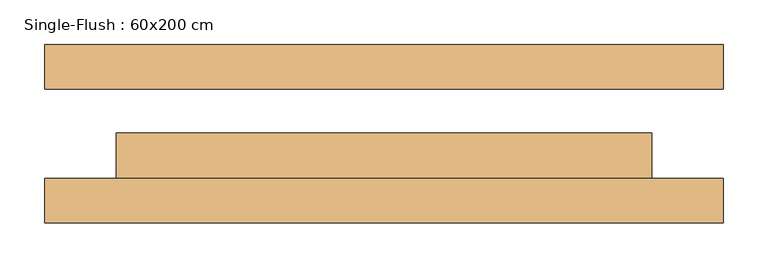
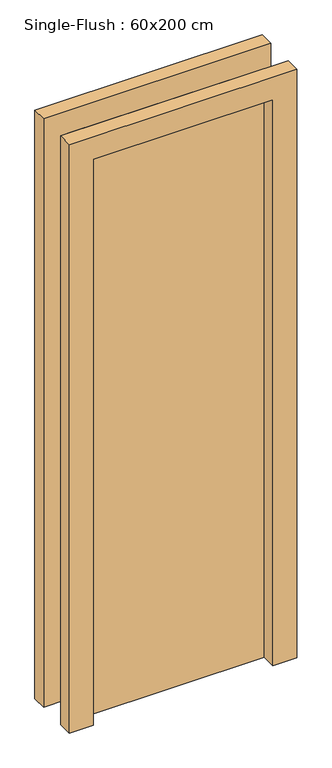
"""IFC4 building model written with IfcOpenShell, lengths in millimetres: door geometry, Single-Flush : 60x200 cm."""

from ifc_helpers import new_model, si_unit, frame, origin, origin_with_axes, place, context, project, spatial, polyline, outline, extrude, source, transform, mapped, element, save


def single_flush_60x200_cm_d3ff4440(model_context):
    return source(origin(), model_context, "Body", "SweptSolid", [
        extrude(outline(polyline([(2080.0, -380.0), (0.0, -380.0), (0.0, -300.0), (2000.0, -300.0), (2000.0, 300.0), (0.0, 300.0), (0.0, 380.0), (2080.0, 380.0), (2080.0, -380.0)])), frame((0.0, -100.0, 0.0), z_axis=(0.0, 1.0, 0.0), x_axis=(0.0, 0.0, 1.0)), (0.0, 0.0, 1.0), 50.0),
        extrude(outline(polyline([(2080.0, 380.0), (2080.0, -380.0), (0.0, -380.0), (0.0, -300.0), (2000.0, -300.0), (2000.0, 300.0), (0.0, 300.0), (0.0, 380.0), (2080.0, 380.0)])), frame((0.0, 50.0, 0.0), z_axis=(0.0, 1.0, 0.0), x_axis=(0.0, 0.0, 1.0)), (0.0, 0.0, 1.0), 50.0),
        extrude(outline(polyline([(300.0, 0.8), (300.0, -50.0), (-300.0, -50.0), (-300.0, 0.8), (300.0, 0.8)])), origin_with_axes(), (0.0, 0.0, 1.0), 2000.0),
    ])


if __name__ == "__main__":
    model = new_model("IFC4")
    model_context = context("Model", 3, world=origin())
    ifc_project = project(units=[si_unit("LENGTHUNIT", "METRE", prefix="MILLI")], contexts=[model_context])
    site = spatial("IfcSite", under=ifc_project)
    building = spatial("IfcBuilding", under=site)
    placement = place(None, origin())
    single_flush_60x200_cm_shape = single_flush_60x200_cm_d3ff4440(model_context)
    element("IfcDoor", 1, ObjectType="Single-Flush : 60x200 cm", at=placement, inside=building, context=model_context, shape_type="MappedRepresentation", body=[
        mapped(single_flush_60x200_cm_shape, transform((0.0, 0.0, 0.0), x_axis=(1.0, 0.0, 0.0), y_axis=(0.0, 1.0, 0.0), z_axis=(0.0, 0.0, 1.0))),
    ])
    save(model, "model.ifc")
